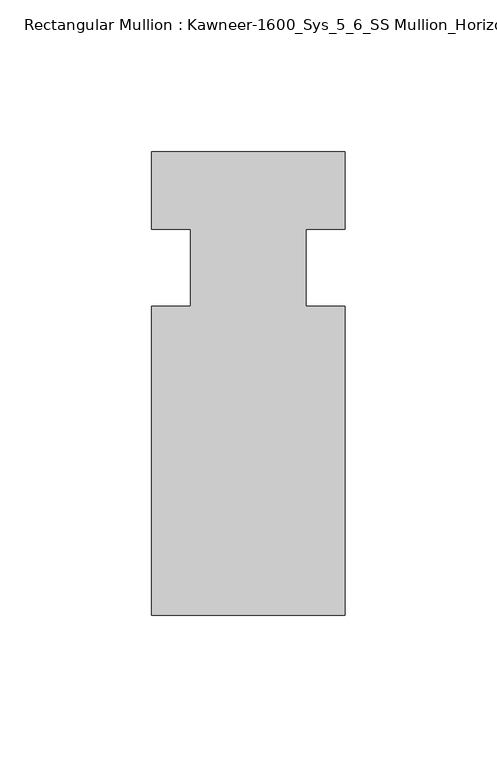
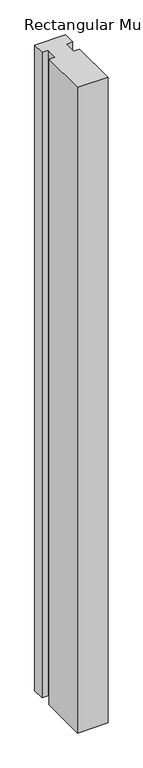
"""IFC4 building model written with IfcOpenShell, lengths in millimetres: member geometry, Rectangular Mullion : Kawneer-1600_Sys_5_6_SS Mullion_Horizontal."""

from ifc_helpers import new_model, si_unit, frame, origin, place, context, project, spatial, polyline, outline, extrude, source, transform, mapped, element, save


def rectangular_mullion_kawneer_1600_sys_5_6_ss_mullion_217fb1e3(model_context):
    return source(origin(), model_context, "Body", "SweptSolid", [
        extrude(outline(polyline([(36.0844027, -114.3), (-27.4155973, -114.3), (-27.4155973, -12.7), (-14.7155973, -12.7), (-14.7155973, 12.7), (-27.4155973, 12.7), (-27.4155973, 38.1), (36.0844027, 38.1), (36.0844027, 12.7), (23.3826322, 12.7), (23.3826322, -12.7), (36.0844027, -12.7), (36.0844027, -114.3)])), frame((0.0, 0.0, -1409.7), z_axis=(0.0, 0.0, 1.0), x_axis=(1.0, 0.0, 0.0)), (0.0, 0.0, 1.0), 1409.7),
    ])


if __name__ == "__main__":
    model = new_model("IFC4")
    model_context = context("Model", 3, world=origin())
    ifc_project = project(units=[si_unit("LENGTHUNIT", "METRE", prefix="MILLI")], contexts=[model_context])
    site = spatial("IfcSite", under=ifc_project)
    building = spatial("IfcBuilding", under=site)
    placement = place(None, origin())
    rectangular_mullion_kawneer_1600_sys_5_6_ss_mullion_shape = rectangular_mullion_kawneer_1600_sys_5_6_ss_mullion_217fb1e3(model_context)
    element("IfcMember", 1, ObjectType="Rectangular Mullion : Kawneer-1600_Sys_5_6_SS Mullion_Horizontal", at=placement, inside=building, context=model_context, shape_type="MappedRepresentation", body=[
        mapped(rectangular_mullion_kawneer_1600_sys_5_6_ss_mullion_shape, transform((0.0, 0.0, 0.0), x_axis=(1.0, 0.0, 0.0), y_axis=(0.0, 1.0, 0.0), z_axis=(0.0, 0.0, 1.0))),
    ])
    save(model, "model.ifc")
